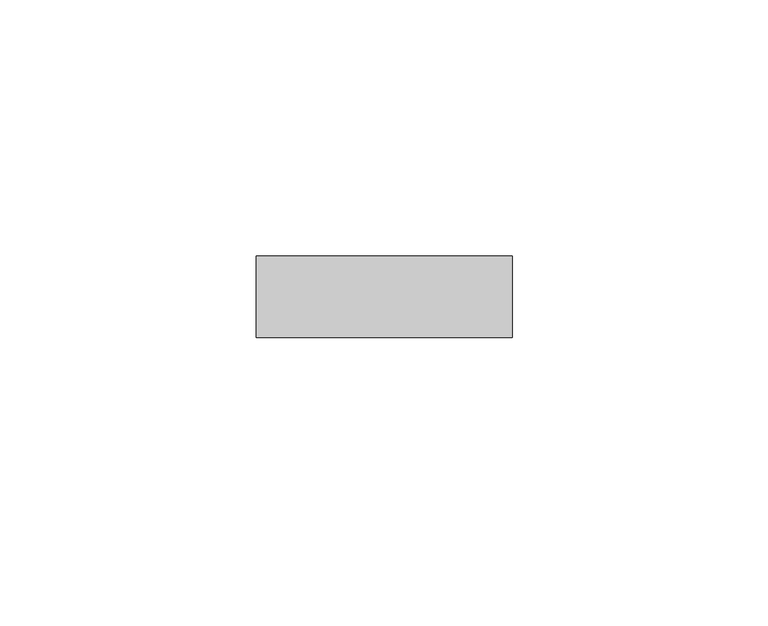
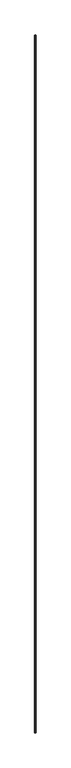
"""IFC4 building model written with IfcOpenShell, lengths in millimetres: proxy geometry."""

from ifc_helpers import new_model, si_unit, frame, origin, place, context, project, spatial, polyline, outline, extrude, source, transform, mapped, element, save


def generic_models_892c9685(model_context):
    return source(origin(), model_context, "Body", "SweptSolid", [
        extrude(outline(polyline([(55.5018515, -62.4360182), (5.5018515, -62.4360182), (5.5018515, -46.4360182), (55.5018515, -46.4360182), (55.5018515, -62.4360182)])), frame((0.0, 0.0, -15708.7554541), z_axis=(0.0, 0.0, 1.0), x_axis=(1.0, 0.0, 0.0)), (0.0, 0.0, 1.0), 35917.5109082),
    ])


if __name__ == "__main__":
    model = new_model("IFC4")
    model_context = context("Model", 3, world=origin())
    ifc_project = project(units=[si_unit("LENGTHUNIT", "METRE", prefix="MILLI")], contexts=[model_context])
    site = spatial("IfcSite", under=ifc_project)
    building = spatial("IfcBuilding", under=site)
    placement = place(None, origin())
    generic_models_shape = generic_models_892c9685(model_context)
    element("IfcBuildingElementProxy", 1, Name="Generic Models", at=placement, inside=building, context=model_context, shape_type="MappedRepresentation", body=[
        mapped(generic_models_shape, transform((0.0, 0.0, 0.0), x_axis=(1.0, 0.0, 0.0), y_axis=(0.0, 1.0, 0.0), z_axis=(0.0, 0.0, 1.0))),
    ])
    save(model, "model.ifc")
